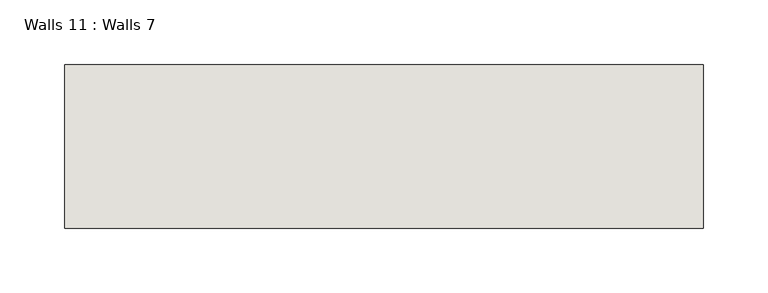
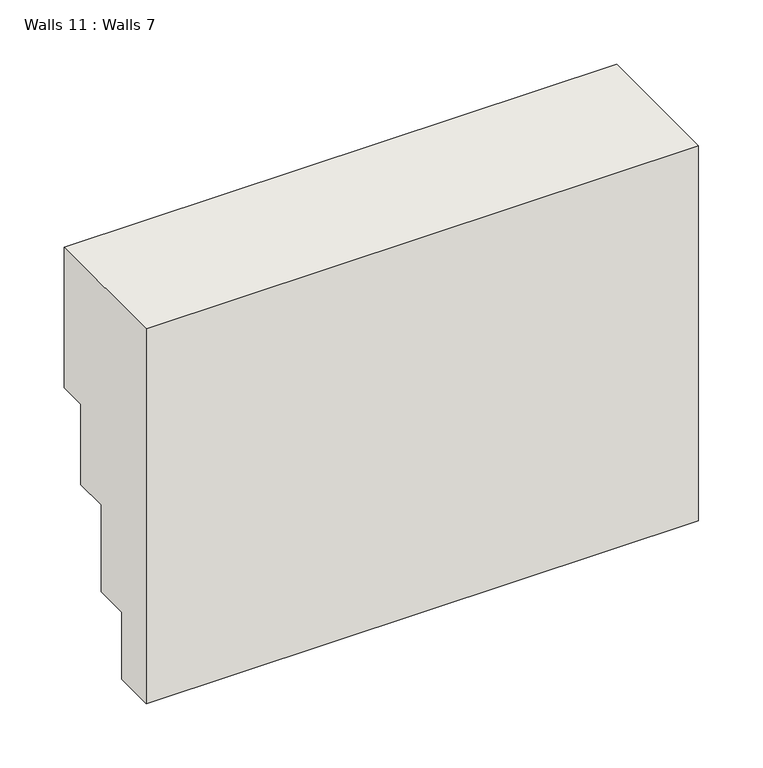
"""IFC4 building model written with IfcOpenShell, lengths in millimetres: wall geometry, Walls 11 : Walls 7."""

import ifcopenshell
import ifcopenshell.guid

model = None  # the IFC model being written
_history = None  # IfcOwnerHistory: only IFC2X3 demands one
_inside = {}  # id of a spatial element -> (the spatial element, [elements in it])
_under = {}  # id of a project, library or spatial element -> (it, [spatial elements below it])
_declared = {}  # id of a project -> (the project, [libraries it declares])
_typed = {}  # id of a type object -> (the type object, [elements of that type])
_made_of = {}  # id of a material, layer set ... -> (it, [elements and type objects made of it])


def new_model(schema):
    """Start an empty IFC model of exactly this schema.

    Asked for "IFC4X3", IfcOpenShell would pick the latest addendum, in which some entities
    have other attributes; the version numbers below select the first issue.
    IFC2X3 requires an IfcOwnerHistory on every rooted entity: one is made here for all.
    """
    global model, _history
    if schema == "IFC4X3":
        model = ifcopenshell.file(schema_version=(4, 3, 0, 0))
    else:
        model = ifcopenshell.file(schema=schema)
    _inside.clear()
    _under.clear()
    _declared.clear()
    _typed.clear()
    _made_of.clear()
    _history = None
    if model.schema == "IFC2X3":
        org = make("IfcOrganization", Name="unknown")
        user = make(
            "IfcPersonAndOrganization",
            ThePerson=make("IfcPerson", FamilyName="unknown"),
            TheOrganization=org,
        )
        app = make(
            "IfcApplication",
            ApplicationDeveloper=org,
            Version="unknown",
            ApplicationFullName="unknown",
            ApplicationIdentifier="unknown",
        )
        _history = make(
            "IfcOwnerHistory",
            OwningUser=user,
            OwningApplication=app,
            ChangeAction="ADDED",
            CreationDate=0,
        )
    return model


def make(cls, **values):
    """One entity of the class cls with the attributes given. An attribute that is None is left unset."""
    return model.create_entity(
        cls, **{name: value for name, value in values.items() if value is not None}
    )


def rooted(cls, **values):
    """An entity with a GlobalId (a new one), such as an element, a storey or a relation."""
    return make(cls, GlobalId=ifcopenshell.guid.new(), OwnerHistory=_history, **values)


def si_unit(unit_type, name, prefix=None):
    """IfcSIUnit, for example si_unit("LENGTHUNIT", "METRE", prefix="MILLI")."""
    return make("IfcSIUnit", UnitType=unit_type, Prefix=prefix, Name=name)


def assignment(units):
    """IfcUnitAssignment: the units of a project."""
    return None if units is None else make("IfcUnitAssignment", Units=units)


def point(xyz):
    """IfcCartesianPoint."""
    return None if xyz is None else make("IfcCartesianPoint", Coordinates=xyz)


def direction(xyz):
    """IfcDirection."""
    return None if xyz is None else make("IfcDirection", DirectionRatios=xyz)


def frame(location, z_axis=None, x_axis=None):
    """IfcAxis2Placement3D, a coordinate frame: its origin and axes. An axis left out is left unset."""
    return make(
        "IfcAxis2Placement3D",
        Location=point(location),
        Axis=direction(z_axis),
        RefDirection=direction(x_axis),
    )


def origin():
    """The frame at (0, 0, 0) with its axes left unset."""
    return frame((0.0, 0.0, 0.0))


def place(relative_to, where):
    """IfcLocalPlacement: puts the frame where relative to a parent placement (None: the world)."""
    return make(
        "IfcLocalPlacement", PlacementRelTo=relative_to, RelativePlacement=where
    )


def context(
    kind, dimensions, precision=None, world=None, true_north=None, identifier=None
):
    """IfcGeometricRepresentationContext, for example the 3D "Model" context."""
    return make(
        "IfcGeometricRepresentationContext",
        ContextIdentifier=identifier,
        ContextType=kind,
        CoordinateSpaceDimension=dimensions,
        Precision=precision,
        WorldCoordinateSystem=world,
        TrueNorth=true_north,
    )


def project(units=None, contexts=None):
    """IfcProject with its units and contexts."""
    return rooted(
        "IfcProject",
        Name="project",
        RepresentationContexts=contexts,
        UnitsInContext=assignment(units),
    )


def spatial(cls, under=None, at=None, **own):
    """A site, building, storey or space (cls), placed at a placement, below another one or the project."""
    s = rooted(cls, ObjectPlacement=at, **own)
    if under is not None:
        _under.setdefault(under.id(), (under, []))[1].append(s)
    return s


def polyline(points):
    """IfcPolyline through the points."""
    return make("IfcPolyline", Points=[point(p) for p in points])


def outline(outer, holes=None, kind="AREA"):
    """IfcArbitraryClosedProfileDef: a profile drawn as a closed curve; with holes, ...WithVoids."""
    if holes is None:
        return make("IfcArbitraryClosedProfileDef", ProfileType=kind, OuterCurve=outer)
    return make(
        "IfcArbitraryProfileDefWithVoids",
        ProfileType=kind,
        OuterCurve=outer,
        InnerCurves=holes,
    )


def extrude(swept, where, along, depth):
    """IfcExtrudedAreaSolid: the profile swept, set in the frame where, extruded along a direction by depth."""
    return make(
        "IfcExtrudedAreaSolid",
        SweptArea=swept,
        Position=where,
        ExtrudedDirection=direction(along),
        Depth=depth,
    )


def shape(context_of_items, identifier, shape_type, items):
    """IfcShapeRepresentation: the items that make up one representation, for example the "Body"."""
    return make(
        "IfcShapeRepresentation",
        ContextOfItems=context_of_items,
        RepresentationIdentifier=identifier,
        RepresentationType=shape_type,
        Items=items,
    )


def source(mapping_origin, context_of_items, identifier, shape_type, items):
    """IfcRepresentationMap: a shape defined once, which mapped items show again and again."""
    return make(
        "IfcRepresentationMap",
        MappingOrigin=mapping_origin,
        MappedRepresentation=shape(context_of_items, identifier, shape_type, items),
    )


def transform(
    local_origin,
    x_axis=None,
    y_axis=None,
    z_axis=None,
    scale=None,
    scale2=None,
    scale3=None,
    uniform=True,
):
    """IfcCartesianTransformationOperator3D, or its non-uniform kind. x_axis, y_axis, z_axis: its Axis1, 2, 3."""
    if uniform:
        return make(
            "IfcCartesianTransformationOperator3D",
            Axis1=direction(x_axis),
            Axis2=direction(y_axis),
            LocalOrigin=point(local_origin),
            Scale=scale,
            Axis3=direction(z_axis),
        )
    return make(
        "IfcCartesianTransformationOperator3DnonUniform",
        Axis1=direction(x_axis),
        Axis2=direction(y_axis),
        LocalOrigin=point(local_origin),
        Scale=scale,
        Axis3=direction(z_axis),
        Scale2=scale2,
        Scale3=scale3,
    )


def mapped(mapping_source, mapping_target):
    """IfcMappedItem: shows the shape of a source again, moved by a transform."""
    return make(
        "IfcMappedItem", MappingSource=mapping_source, MappingTarget=mapping_target
    )


def made_of(thing, what):
    """Note that an element or type object is made of a material, layer set ...; save() writes the relation."""
    if what is not None:
        _made_of.setdefault(what.id(), (what, []))[1].append(thing)
    return thing


def element(
    cls,
    number,
    at=None,
    inside=None,
    cuts=None,
    type_object=None,
    material=None,
    context=None,
    identifier="Body",
    shape_type=None,
    held_by="IfcProductDefinitionShape",
    body=None,
    shapes=None,
    **own,
):
    """One element of the class cls, such as IfcWall. Its Tag is "e" and its number.

    at: its placement. inside: the storey or other place that contains it. cuts: it is an
    opening in that element (IfcRelVoidsElement). A single representation is given by context,
    identifier, shape_type and body (its items); several are given by shapes. held_by: the class
    of the entity that holds the representations. save() writes the other relations.
    """
    e = rooted(cls, Tag="e%d" % number, ObjectPlacement=at, **own)
    if body is not None:
        shapes = [shape(context, identifier, shape_type, body)]
    if shapes is not None:
        e.Representation = make(held_by, Representations=shapes)
    if inside is not None:
        _inside.setdefault(inside.id(), (inside, []))[1].append(e)
    if cuts is not None:
        rooted(
            "IfcRelVoidsElement", RelatingBuildingElement=cuts, RelatedOpeningElement=e
        )
    if type_object is not None:
        _typed.setdefault(type_object.id(), (type_object, []))[1].append(e)
    return made_of(e, material)


def aggregate(whole, parts):
    """IfcRelAggregates: a whole, such as a stair, and the parts it consists of."""
    return rooted("IfcRelAggregates", RelatingObject=whole, RelatedObjects=parts)


def save(model, path):
    """Write the relations noted so far, then the file.

    IfcRelAggregates (storeys below a building ...), IfcRelContainedInSpatialStructure (elements
    in a storey), IfcRelDefinesByType, IfcRelAssociatesMaterial and IfcRelDeclares: one each for
    every whole, place, type object, material and project.
    """
    for whole, parts in _under.values():
        aggregate(whole, parts)
    for where, things in _inside.values():
        rooted(
            "IfcRelContainedInSpatialStructure",
            RelatedElements=things,
            RelatingStructure=where,
        )
    for kind, things in _typed.values():
        rooted("IfcRelDefinesByType", RelatedObjects=things, RelatingType=kind)
    for what, things in _made_of.values():
        rooted("IfcRelAssociatesMaterial", RelatedObjects=things, RelatingMaterial=what)
    for by, libraries in _declared.values():
        rooted("IfcRelDeclares", RelatingContext=by, RelatedDefinitions=libraries)
    model.write(path)


def walls_11_walls_7_a0d40ee7(model_context):
    return source(origin(), model_context, "Body", "SweptSolid", [
        extrude(outline(polyline([(39423.6710011, -2304.243421), (39423.6710011, -2437.593421), (39398.2710011, -2437.593421), (39398.2710011, -2513.793421), (39366.5210011, -2513.793421), (39366.5210011, -2596.343421), (39334.7710011, -2596.343421), (39334.7710011, -2659.843421), (39296.6710011, -2659.843421), (39296.6710011, -2304.243421), (39423.6710011, -2304.243421)])), frame((-26342.8103773, 0.0, 0.0), z_axis=(1.0, 0.0, 0.0), x_axis=(0.0, 1.0, 0.0)), (0.0, 0.0, 1.0), 495.3),
    ])


if __name__ == "__main__":
    model = new_model("IFC4")
    model_context = context("Model", 3, world=origin())
    ifc_project = project(units=[si_unit("LENGTHUNIT", "METRE", prefix="MILLI")], contexts=[model_context])
    site = spatial("IfcSite", under=ifc_project)
    building = spatial("IfcBuilding", under=site)
    placement = place(None, origin())
    walls_11_walls_7_shape = walls_11_walls_7_a0d40ee7(model_context)
    element("IfcWall", 1, ObjectType="Walls 11 : Walls 7", at=placement, inside=building, context=model_context, shape_type="MappedRepresentation", body=[
        mapped(walls_11_walls_7_shape, transform((0.0, 0.0, 0.0), x_axis=(1.0, 0.0, 0.0), y_axis=(0.0, 1.0, 0.0), z_axis=(0.0, 0.0, 1.0))),
    ])
    save(model, "model.ifc")
